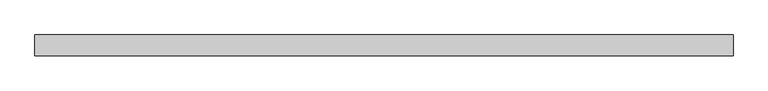
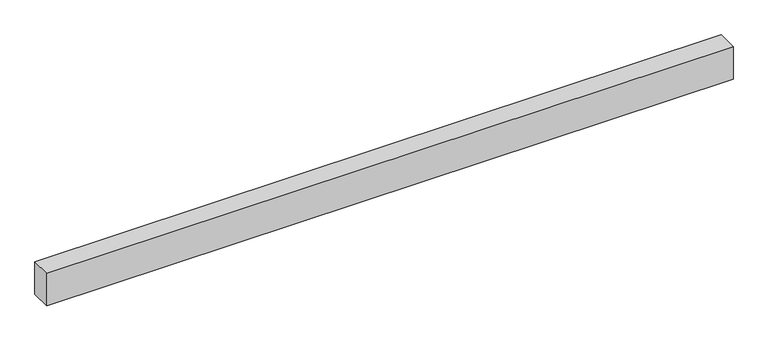
"""IFC4 building model written with IfcOpenShell, lengths in millimetres: proxy geometry."""

import ifcopenshell
import ifcopenshell.guid

model = None  # the IFC model being written
_history = None  # IfcOwnerHistory: only IFC2X3 demands one
_inside = {}  # id of a spatial element -> (the spatial element, [elements in it])
_under = {}  # id of a project, library or spatial element -> (it, [spatial elements below it])
_declared = {}  # id of a project -> (the project, [libraries it declares])
_typed = {}  # id of a type object -> (the type object, [elements of that type])
_made_of = {}  # id of a material, layer set ... -> (it, [elements and type objects made of it])


def new_model(schema):
    """Start an empty IFC model of exactly this schema.

    Asked for "IFC4X3", IfcOpenShell would pick the latest addendum, in which some entities
    have other attributes; the version numbers below select the first issue.
    IFC2X3 requires an IfcOwnerHistory on every rooted entity: one is made here for all.
    """
    global model, _history
    if schema == "IFC4X3":
        model = ifcopenshell.file(schema_version=(4, 3, 0, 0))
    else:
        model = ifcopenshell.file(schema=schema)
    _inside.clear()
    _under.clear()
    _declared.clear()
    _typed.clear()
    _made_of.clear()
    _history = None
    if model.schema == "IFC2X3":
        org = make("IfcOrganization", Name="unknown")
        user = make(
            "IfcPersonAndOrganization",
            ThePerson=make("IfcPerson", FamilyName="unknown"),
            TheOrganization=org,
        )
        app = make(
            "IfcApplication",
            ApplicationDeveloper=org,
            Version="unknown",
            ApplicationFullName="unknown",
            ApplicationIdentifier="unknown",
        )
        _history = make(
            "IfcOwnerHistory",
            OwningUser=user,
            OwningApplication=app,
            ChangeAction="ADDED",
            CreationDate=0,
        )
    return model


def make(cls, **values):
    """One entity of the class cls with the attributes given. An attribute that is None is left unset."""
    return model.create_entity(
        cls, **{name: value for name, value in values.items() if value is not None}
    )


def rooted(cls, **values):
    """An entity with a GlobalId (a new one), such as an element, a storey or a relation."""
    return make(cls, GlobalId=ifcopenshell.guid.new(), OwnerHistory=_history, **values)


def si_unit(unit_type, name, prefix=None):
    """IfcSIUnit, for example si_unit("LENGTHUNIT", "METRE", prefix="MILLI")."""
    return make("IfcSIUnit", UnitType=unit_type, Prefix=prefix, Name=name)


def assignment(units):
    """IfcUnitAssignment: the units of a project."""
    return None if units is None else make("IfcUnitAssignment", Units=units)


def point(xyz):
    """IfcCartesianPoint."""
    return None if xyz is None else make("IfcCartesianPoint", Coordinates=xyz)


def direction(xyz):
    """IfcDirection."""
    return None if xyz is None else make("IfcDirection", DirectionRatios=xyz)


def frame(location, z_axis=None, x_axis=None):
    """IfcAxis2Placement3D, a coordinate frame: its origin and axes. An axis left out is left unset."""
    return make(
        "IfcAxis2Placement3D",
        Location=point(location),
        Axis=direction(z_axis),
        RefDirection=direction(x_axis),
    )


def origin():
    """The frame at (0, 0, 0) with its axes left unset."""
    return frame((0.0, 0.0, 0.0))


def origin_with_axes():
    """The frame at (0, 0, 0) with the z axis (0, 0, 1) and the x axis (1, 0, 0) written out."""
    return frame((0.0, 0.0, 0.0), z_axis=(0.0, 0.0, 1.0), x_axis=(1.0, 0.0, 0.0))


def place(relative_to, where):
    """IfcLocalPlacement: puts the frame where relative to a parent placement (None: the world)."""
    return make(
        "IfcLocalPlacement", PlacementRelTo=relative_to, RelativePlacement=where
    )


def context(
    kind, dimensions, precision=None, world=None, true_north=None, identifier=None
):
    """IfcGeometricRepresentationContext, for example the 3D "Model" context."""
    return make(
        "IfcGeometricRepresentationContext",
        ContextIdentifier=identifier,
        ContextType=kind,
        CoordinateSpaceDimension=dimensions,
        Precision=precision,
        WorldCoordinateSystem=world,
        TrueNorth=true_north,
    )


def project(units=None, contexts=None):
    """IfcProject with its units and contexts."""
    return rooted(
        "IfcProject",
        Name="project",
        RepresentationContexts=contexts,
        UnitsInContext=assignment(units),
    )


def spatial(cls, under=None, at=None, **own):
    """A site, building, storey or space (cls), placed at a placement, below another one or the project."""
    s = rooted(cls, ObjectPlacement=at, **own)
    if under is not None:
        _under.setdefault(under.id(), (under, []))[1].append(s)
    return s


def polyline(points):
    """IfcPolyline through the points."""
    return make("IfcPolyline", Points=[point(p) for p in points])


def outline(outer, holes=None, kind="AREA"):
    """IfcArbitraryClosedProfileDef: a profile drawn as a closed curve; with holes, ...WithVoids."""
    if holes is None:
        return make("IfcArbitraryClosedProfileDef", ProfileType=kind, OuterCurve=outer)
    return make(
        "IfcArbitraryProfileDefWithVoids",
        ProfileType=kind,
        OuterCurve=outer,
        InnerCurves=holes,
    )


def extrude(swept, where, along, depth):
    """IfcExtrudedAreaSolid: the profile swept, set in the frame where, extruded along a direction by depth."""
    return make(
        "IfcExtrudedAreaSolid",
        SweptArea=swept,
        Position=where,
        ExtrudedDirection=direction(along),
        Depth=depth,
    )


def shape(context_of_items, identifier, shape_type, items):
    """IfcShapeRepresentation: the items that make up one representation, for example the "Body"."""
    return make(
        "IfcShapeRepresentation",
        ContextOfItems=context_of_items,
        RepresentationIdentifier=identifier,
        RepresentationType=shape_type,
        Items=items,
    )


def source(mapping_origin, context_of_items, identifier, shape_type, items):
    """IfcRepresentationMap: a shape defined once, which mapped items show again and again."""
    return make(
        "IfcRepresentationMap",
        MappingOrigin=mapping_origin,
        MappedRepresentation=shape(context_of_items, identifier, shape_type, items),
    )


def transform(
    local_origin,
    x_axis=None,
    y_axis=None,
    z_axis=None,
    scale=None,
    scale2=None,
    scale3=None,
    uniform=True,
):
    """IfcCartesianTransformationOperator3D, or its non-uniform kind. x_axis, y_axis, z_axis: its Axis1, 2, 3."""
    if uniform:
        return make(
            "IfcCartesianTransformationOperator3D",
            Axis1=direction(x_axis),
            Axis2=direction(y_axis),
            LocalOrigin=point(local_origin),
            Scale=scale,
            Axis3=direction(z_axis),
        )
    return make(
        "IfcCartesianTransformationOperator3DnonUniform",
        Axis1=direction(x_axis),
        Axis2=direction(y_axis),
        LocalOrigin=point(local_origin),
        Scale=scale,
        Axis3=direction(z_axis),
        Scale2=scale2,
        Scale3=scale3,
    )


def mapped(mapping_source, mapping_target):
    """IfcMappedItem: shows the shape of a source again, moved by a transform."""
    return make(
        "IfcMappedItem", MappingSource=mapping_source, MappingTarget=mapping_target
    )


def made_of(thing, what):
    """Note that an element or type object is made of a material, layer set ...; save() writes the relation."""
    if what is not None:
        _made_of.setdefault(what.id(), (what, []))[1].append(thing)
    return thing


def element(
    cls,
    number,
    at=None,
    inside=None,
    cuts=None,
    type_object=None,
    material=None,
    context=None,
    identifier="Body",
    shape_type=None,
    held_by="IfcProductDefinitionShape",
    body=None,
    shapes=None,
    **own,
):
    """One element of the class cls, such as IfcWall. Its Tag is "e" and its number.

    at: its placement. inside: the storey or other place that contains it. cuts: it is an
    opening in that element (IfcRelVoidsElement). A single representation is given by context,
    identifier, shape_type and body (its items); several are given by shapes. held_by: the class
    of the entity that holds the representations. save() writes the other relations.
    """
    e = rooted(cls, Tag="e%d" % number, ObjectPlacement=at, **own)
    if body is not None:
        shapes = [shape(context, identifier, shape_type, body)]
    if shapes is not None:
        e.Representation = make(held_by, Representations=shapes)
    if inside is not None:
        _inside.setdefault(inside.id(), (inside, []))[1].append(e)
    if cuts is not None:
        rooted(
            "IfcRelVoidsElement", RelatingBuildingElement=cuts, RelatedOpeningElement=e
        )
    if type_object is not None:
        _typed.setdefault(type_object.id(), (type_object, []))[1].append(e)
    return made_of(e, material)


def aggregate(whole, parts):
    """IfcRelAggregates: a whole, such as a stair, and the parts it consists of."""
    return rooted("IfcRelAggregates", RelatingObject=whole, RelatedObjects=parts)


def save(model, path):
    """Write the relations noted so far, then the file.

    IfcRelAggregates (storeys below a building ...), IfcRelContainedInSpatialStructure (elements
    in a storey), IfcRelDefinesByType, IfcRelAssociatesMaterial and IfcRelDeclares: one each for
    every whole, place, type object, material and project.
    """
    for whole, parts in _under.values():
        aggregate(whole, parts)
    for where, things in _inside.values():
        rooted(
            "IfcRelContainedInSpatialStructure",
            RelatedElements=things,
            RelatingStructure=where,
        )
    for kind, things in _typed.values():
        rooted("IfcRelDefinesByType", RelatedObjects=things, RelatingType=kind)
    for what, things in _made_of.values():
        rooted("IfcRelAssociatesMaterial", RelatedObjects=things, RelatingMaterial=what)
    for by, libraries in _declared.values():
        rooted("IfcRelDeclares", RelatingContext=by, RelatedDefinitions=libraries)
    model.write(path)


def generic_models_429ffc5b(model_context):
    return source(origin(), model_context, "Body", "SweptSolid", [
        extrude(outline(polyline([(10000.0, 300.0), (10000.0, 0.0), (0.0, 0.0), (0.0, 300.0), (10000.0, 300.0)])), origin_with_axes(), (0.0, 0.0, 1.0), 500.0),
    ])


if __name__ == "__main__":
    model = new_model("IFC4")
    model_context = context("Model", 3, world=origin())
    ifc_project = project(units=[si_unit("LENGTHUNIT", "METRE", prefix="MILLI")], contexts=[model_context])
    site = spatial("IfcSite", under=ifc_project)
    building = spatial("IfcBuilding", under=site)
    placement = place(None, origin())
    generic_models_shape = generic_models_429ffc5b(model_context)
    element("IfcBuildingElementProxy", 1, Name="Generic Models", at=placement, inside=building, context=model_context, shape_type="MappedRepresentation", body=[
        mapped(generic_models_shape, transform((0.0, 0.0, 0.0), x_axis=(1.0, 0.0, 0.0), y_axis=(0.0, 1.0, 0.0), z_axis=(0.0, 0.0, 1.0))),
    ])
    save(model, "model.ifc")
